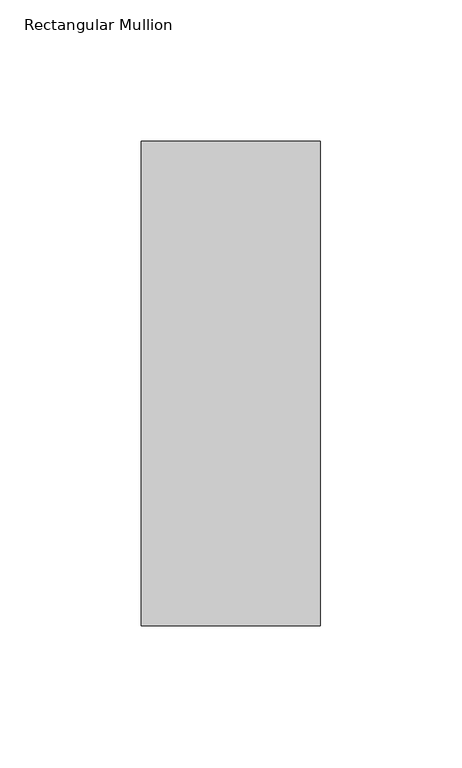
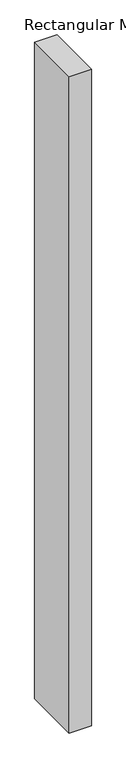
"""IFC4 building model written with IfcOpenShell, lengths in millimetres: member geometry, Rectangular Mullion."""

from ifc_helpers import new_model, si_unit, frame, origin, place, context, project, spatial, polyline, outline, extrude, source, transform, mapped, element, save


def rectangular_mullion_616b68e5(model_context):
    return source(origin(), model_context, "Body", "SweptSolid", [
        extrude(outline(polyline([(-31.7500004, 222.5381312), (31.75, 222.5381312), (31.75, 50.820278), (-31.7500004, 50.820278), (-31.7500004, 222.5381312)])), frame((0.0, 0.0, -1993.9000004), z_axis=(0.0, 0.0, 1.0), x_axis=(1.0, 0.0, 0.0)), (0.0, 0.0, 1.0), 1993.9000004),
    ])


if __name__ == "__main__":
    model = new_model("IFC4")
    model_context = context("Model", 3, world=origin())
    ifc_project = project(units=[si_unit("LENGTHUNIT", "METRE", prefix="MILLI")], contexts=[model_context])
    site = spatial("IfcSite", under=ifc_project)
    building = spatial("IfcBuilding", under=site)
    placement = place(None, origin())
    rectangular_mullion_shape = rectangular_mullion_616b68e5(model_context)
    element("IfcMember", 1, ObjectType="Rectangular Mullion", at=placement, inside=building, context=model_context, shape_type="MappedRepresentation", body=[
        mapped(rectangular_mullion_shape, transform((0.0, 0.0, 0.0), x_axis=(1.0, 0.0, 0.0), y_axis=(0.0, 1.0, 0.0), z_axis=(0.0, 0.0, 1.0))),
    ])
    save(model, "model.ifc")
